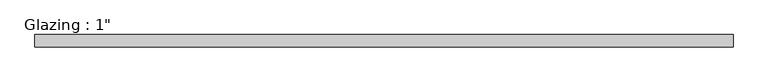
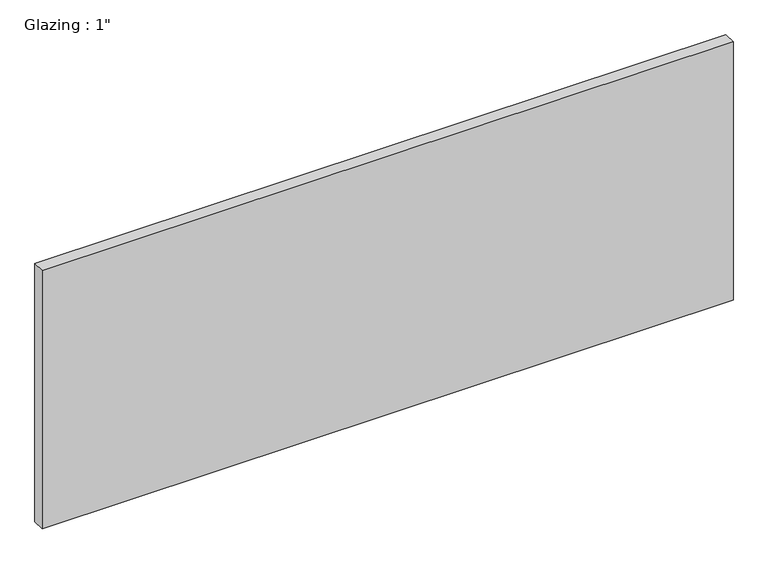
"""IFC4 building model written with IfcOpenShell, lengths in millimetres: plate geometry."""

from ifc_helpers import new_model, si_unit, origin, origin_with_axes, place, context, project, spatial, polyline, outline, extrude, source, transform, mapped, element, save


def plate_3670cfe3(model_context):
    return source(origin(), model_context, "Body", "SweptSolid", [
        extrude(outline(polyline([(712.2465169, 12.7), (712.2465169, -12.7), (-712.2465169, -12.7), (-712.2465169, 12.7), (712.2465169, 12.7)])), origin_with_axes(), (0.0, 0.0, 1.0), 563.17901),
    ])


if __name__ == "__main__":
    model = new_model("IFC4")
    model_context = context("Model", 3, world=origin())
    ifc_project = project(units=[si_unit("LENGTHUNIT", "METRE", prefix="MILLI")], contexts=[model_context])
    site = spatial("IfcSite", under=ifc_project)
    building = spatial("IfcBuilding", under=site)
    placement = place(None, origin())
    plate_shape = plate_3670cfe3(model_context)
    element("IfcPlate", 1, ObjectType="Glazing : 1\"", at=placement, inside=building, context=model_context, shape_type="MappedRepresentation", body=[
        mapped(plate_shape, transform((0.0, 0.0, 0.0), x_axis=(1.0, 0.0, 0.0), y_axis=(0.0, 1.0, 0.0), z_axis=(0.0, 0.0, 1.0))),
    ])
    save(model, "model.ifc")
